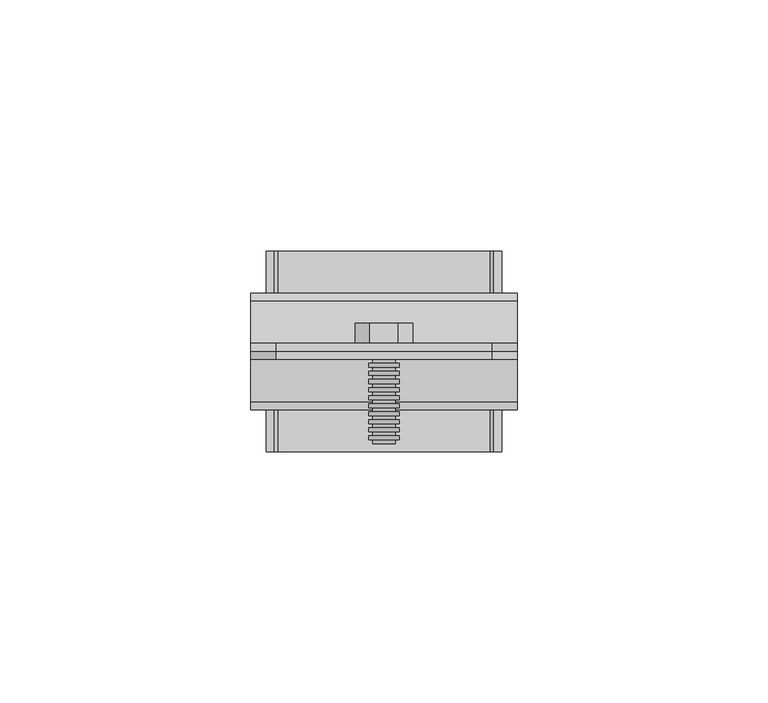
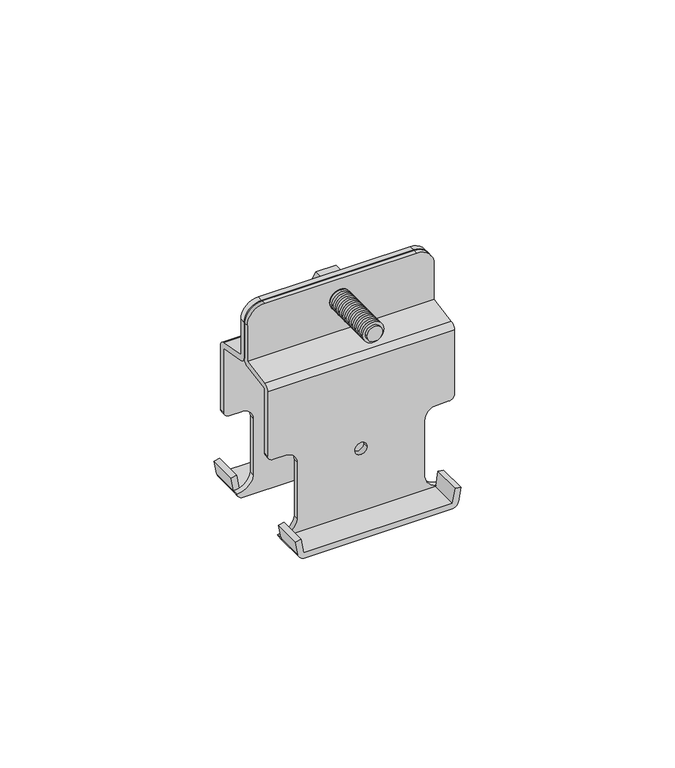
"""IFC4 building model written with IfcOpenShell, lengths in millimetres: proxy geometry."""

from ifc_helpers import new_model, si_unit, point, frame, frame_2d, origin, place, context, project, spatial, polyline, circle_curve, trimmed, segment, composite_curve, outline, extrude, source, transform, mapped, element, save
from ifc_brep_helpers import plane_surface, cylinder_surface, revolved_surface, advanced_brep


def mechanical_equipment_d5be735d(model_context):
    return source(origin(), model_context, "Body", "SolidModel", [
        extrude(outline(composite_curve([segment(trimmed(circle_curve(frame_2d((52.2, 0.0)), 3.0), [point((52.2, -3.0))], [point((52.2, 3.0))], False, "CARTESIAN"), True, "CONTINUOUS"), segment(trimmed(circle_curve(frame_2d((52.2, 0.0)), 3.0), [point((52.2, 3.0))], [point((52.2, -3.0))], False, "CARTESIAN"), True, "CONTINUOUS")], self_intersect=False), holes=[composite_curve([segment(trimmed(circle_curve(frame_2d((52.2, 0.0)), 2.2), [point((52.2, -2.2))], [point((52.2, 2.2))], True, "CARTESIAN"), True, "CONTINUOUS"), segment(trimmed(circle_curve(frame_2d((52.2, 0.0)), 2.2), [point((52.2, 2.2))], [point((52.2, -2.2))], True, "CARTESIAN"), True, "CONTINUOUS")], self_intersect=False)]), frame((0.0, -17.6, 0.0), z_axis=(0.0, 1.0, 0.0), x_axis=(0.0, 0.0, 1.0)), (0.0, 0.0, 1.0), 0.8),
        extrude(outline(composite_curve([segment(trimmed(circle_curve(frame_2d((52.2, 0.0)), 3.0), [point((52.2, -3.0))], [point((52.2, 3.0))], False, "CARTESIAN"), True, "CONTINUOUS"), segment(trimmed(circle_curve(frame_2d((52.2, 0.0)), 3.0), [point((52.2, 3.0))], [point((52.2, -3.0))], False, "CARTESIAN"), True, "CONTINUOUS")], self_intersect=False), holes=[composite_curve([segment(trimmed(circle_curve(frame_2d((52.2, 0.0)), 2.2), [point((52.2, -2.2))], [point((52.2, 2.2))], True, "CARTESIAN"), True, "CONTINUOUS"), segment(trimmed(circle_curve(frame_2d((52.2, 0.0)), 2.2), [point((52.2, 2.2))], [point((52.2, -2.2))], True, "CARTESIAN"), True, "CONTINUOUS")], self_intersect=False)]), frame((0.0, -16.0, 0.0), z_axis=(0.0, 1.0, 0.0), x_axis=(0.0, 0.0, 1.0)), (0.0, 0.0, 1.0), 0.8),
        extrude(outline(composite_curve([segment(trimmed(circle_curve(frame_2d((52.2, 0.0)), 3.0), [point((52.2, -3.0))], [point((52.2, 3.0))], False, "CARTESIAN"), True, "CONTINUOUS"), segment(trimmed(circle_curve(frame_2d((52.2, 0.0)), 3.0), [point((52.2, 3.0))], [point((52.2, -3.0))], False, "CARTESIAN"), True, "CONTINUOUS")], self_intersect=False), holes=[composite_curve([segment(trimmed(circle_curve(frame_2d((52.2, 0.0)), 2.2), [point((52.2, -2.2))], [point((52.2, 2.2))], True, "CARTESIAN"), True, "CONTINUOUS"), segment(trimmed(circle_curve(frame_2d((52.2, 0.0)), 2.2), [point((52.2, 2.2))], [point((52.2, -2.2))], True, "CARTESIAN"), True, "CONTINUOUS")], self_intersect=False)]), frame((0.0, -14.4, 0.0), z_axis=(0.0, 1.0, 0.0), x_axis=(0.0, 0.0, 1.0)), (0.0, 0.0, 1.0), 0.8),
        extrude(outline(composite_curve([segment(trimmed(circle_curve(frame_2d((52.2, 0.0)), 3.0), [point((52.2, -3.0))], [point((52.2, 3.0))], False, "CARTESIAN"), True, "CONTINUOUS"), segment(trimmed(circle_curve(frame_2d((52.2, 0.0)), 3.0), [point((52.2, 3.0))], [point((52.2, -3.0))], False, "CARTESIAN"), True, "CONTINUOUS")], self_intersect=False), holes=[composite_curve([segment(trimmed(circle_curve(frame_2d((52.2, 0.0)), 2.2), [point((52.2, -2.2))], [point((52.2, 2.2))], True, "CARTESIAN"), True, "CONTINUOUS"), segment(trimmed(circle_curve(frame_2d((52.2, 0.0)), 2.2), [point((52.2, 2.2))], [point((52.2, -2.2))], True, "CARTESIAN"), True, "CONTINUOUS")], self_intersect=False)]), frame((0.0, -12.8, 0.0), z_axis=(0.0, 1.0, 0.0), x_axis=(0.0, 0.0, 1.0)), (0.0, 0.0, 1.0), 0.8),
        extrude(outline(composite_curve([segment(trimmed(circle_curve(frame_2d((52.2, 0.0)), 3.0), [point((52.2, -3.0))], [point((52.2, 3.0))], False, "CARTESIAN"), True, "CONTINUOUS"), segment(trimmed(circle_curve(frame_2d((52.2, 0.0)), 3.0), [point((52.2, 3.0))], [point((52.2, -3.0))], False, "CARTESIAN"), True, "CONTINUOUS")], self_intersect=False), holes=[composite_curve([segment(trimmed(circle_curve(frame_2d((52.2, 0.0)), 2.2), [point((52.2, -2.2))], [point((52.2, 2.2))], True, "CARTESIAN"), True, "CONTINUOUS"), segment(trimmed(circle_curve(frame_2d((52.2, 0.0)), 2.2), [point((52.2, 2.2))], [point((52.2, -2.2))], True, "CARTESIAN"), True, "CONTINUOUS")], self_intersect=False)]), frame((0.0, -11.2, 0.0), z_axis=(0.0, 1.0, 0.0), x_axis=(0.0, 0.0, 1.0)), (0.0, 0.0, 1.0), 0.8),
        extrude(outline(composite_curve([segment(trimmed(circle_curve(frame_2d((52.2, 0.0)), 3.0), [point((52.2, -3.0))], [point((52.2, 3.0))], False, "CARTESIAN"), True, "CONTINUOUS"), segment(trimmed(circle_curve(frame_2d((52.2, 0.0)), 3.0), [point((52.2, 3.0))], [point((52.2, -3.0))], False, "CARTESIAN"), True, "CONTINUOUS")], self_intersect=False), holes=[composite_curve([segment(trimmed(circle_curve(frame_2d((52.2, 0.0)), 2.2), [point((52.2, -2.2))], [point((52.2, 2.2))], True, "CARTESIAN"), True, "CONTINUOUS"), segment(trimmed(circle_curve(frame_2d((52.2, 0.0)), 2.2), [point((52.2, 2.2))], [point((52.2, -2.2))], True, "CARTESIAN"), True, "CONTINUOUS")], self_intersect=False)]), frame((0.0, -9.6, 0.0), z_axis=(0.0, 1.0, 0.0), x_axis=(0.0, 0.0, 1.0)), (0.0, 0.0, 1.0), 0.8),
        extrude(outline(composite_curve([segment(trimmed(circle_curve(frame_2d((52.2, 0.0)), 3.0), [point((52.2, -3.0))], [point((52.2, 3.0))], False, "CARTESIAN"), True, "CONTINUOUS"), segment(trimmed(circle_curve(frame_2d((52.2, 0.0)), 3.0), [point((52.2, 3.0))], [point((52.2, -3.0))], False, "CARTESIAN"), True, "CONTINUOUS")], self_intersect=False), holes=[composite_curve([segment(trimmed(circle_curve(frame_2d((52.2, 0.0)), 2.2), [point((52.2, -2.2))], [point((52.2, 2.2))], True, "CARTESIAN"), True, "CONTINUOUS"), segment(trimmed(circle_curve(frame_2d((52.2, 0.0)), 2.2), [point((52.2, 2.2))], [point((52.2, -2.2))], True, "CARTESIAN"), True, "CONTINUOUS")], self_intersect=False)]), frame((0.0, -8.0, 0.0), z_axis=(0.0, 1.0, 0.0), x_axis=(0.0, 0.0, 1.0)), (0.0, 0.0, 1.0), 0.8),
        advanced_brep(
        [(-4.6, 4.6, 52.1997648), (4.6, 4.6, 52.1997648), (-1.5, 4.6, 52.6997648), (-2.4, 4.6, 52.6997648), (-2.4, 4.6, 51.6997648), (-1.5, 4.6, 51.6997648), (-0.5, 4.6, 50.6997648), (-0.5, 4.6, 49.7997648), (0.5, 4.6, 49.7997648), (0.5, 4.6, 50.6997648), (1.5, 4.6, 51.6997648), (2.4, 4.6, 51.6997648), (2.4, 4.6, 52.6997648), (1.5, 4.6, 52.6997648), (0.5, 4.6, 53.6997648), (0.5, 4.6, 54.5997648), (-0.5, 4.6, 54.5997648), (-0.5, 4.6, 53.6997648), (4.6, 5.6, 52.1997648), (-4.6, 5.6, 52.1997648), (-5.7735027, 5.6, 52.2), (-2.8867513, 5.6, 57.2), (2.8867513, 5.6, 57.2), (5.7735027, 5.6, 52.2), (2.8867513, 5.6, 47.2), (-2.8867513, 5.6, 47.2), (-5.7735027, 1.6, 52.2), (-2.8867513, 1.6, 47.2), (2.8867513, 1.6, 47.2), (5.7735027, 1.6, 52.2), (2.8867513, 1.6, 57.2), (-2.8867513, 1.6, 57.2), (-0.5, 3.9, 53.6997648), (-0.5, 3.9, 54.5997648), (0.5, 3.9, 54.5997648), (0.5, 3.9, 53.6997648), (1.5, 3.9, 52.6997648), (2.4, 3.9, 52.6997648), (2.4, 3.9, 51.6997648), (1.5, 3.9, 51.6997648), (0.5, 3.9, 50.6997648), (0.5, 3.9, 49.7997648), (-0.5, 3.9, 49.7997648), (-0.5, 3.9, 50.6997648), (-1.5, 3.9, 51.6997648), (-2.4, 3.9, 51.6997648), (-2.4, 3.9, 52.6997648), (-1.5, 3.9, 52.6997648)],
        [
            (0, 1, circle_curve(frame((0.0, 4.6, 52.1997648), z_axis=(0.0, 1.0, 0.0), x_axis=(1.0, 0.0, 0.0)), 4.6)),
            (1, 0, circle_curve(frame((0.0, 4.6, 52.1997648), z_axis=(0.0, 1.0, 0.0), x_axis=(1.0, 0.0, 0.0)), 4.6)),
            (2, 3),
            (3, 4),
            (4, 5),
            (5, 6, circle_curve(frame((-1.5, 4.6, 50.6997648), z_axis=(0.0, 1.0, 0.0), x_axis=(1.0, 0.0, 0.0)), 1.0)),
            (6, 7),
            (7, 8),
            (8, 9),
            (9, 10, circle_curve(frame((1.5, 4.6, 50.6997648), z_axis=(0.0, 1.0, 0.0), x_axis=(1.0, 0.0, 0.0)), 1.0)),
            (10, 11),
            (11, 12),
            (12, 13),
            (13, 14, circle_curve(frame((1.5, 4.6, 53.6997648), z_axis=(0.0, 1.0, 0.0), x_axis=(1.0, 0.0, 0.0)), 1.0)),
            (14, 15),
            (15, 16),
            (16, 17),
            (17, 2, circle_curve(frame((-1.5, 4.6, 53.6997648), z_axis=(0.0, 1.0, 0.0), x_axis=(1.0, 0.0, 0.0)), 1.0)),
            (1, 18),
            (18, 19, circle_curve(frame((0.0, 5.6, 52.1997648), z_axis=(0.0, 1.0, 0.0), x_axis=(1.0, 0.0, 0.0)), 4.6)),
            (19, 0),
            (19, 18, circle_curve(frame((0.0, 5.6, 52.1997648), z_axis=(0.0, 1.0, 0.0), x_axis=(1.0, 0.0, 0.0)), 4.6)),
            (20, 21),
            (21, 22),
            (22, 23),
            (23, 24),
            (24, 25),
            (25, 20),
            (26, 27),
            (27, 28),
            (28, 29),
            (29, 30),
            (30, 31),
            (31, 26),
            (32, 33),
            (33, 34),
            (34, 35),
            (35, 36, circle_curve(frame((1.5, 3.9, 53.6997648), z_axis=(0.0, -1.0, 0.0), x_axis=(1.0, 0.0, 0.0)), 1.0)),
            (36, 37),
            (37, 38),
            (38, 39),
            (39, 40, circle_curve(frame((1.5, 3.9, 50.6997648), z_axis=(0.0, -1.0, 0.0), x_axis=(1.0, 0.0, 0.0)), 1.0)),
            (40, 41),
            (41, 42),
            (42, 43),
            (43, 44, circle_curve(frame((-1.5, 3.9, 50.6997648), z_axis=(0.0, -1.0, 0.0), x_axis=(1.0, 0.0, 0.0)), 1.0)),
            (44, 45),
            (45, 46),
            (46, 47),
            (47, 32, circle_curve(frame((-1.5, 3.9, 53.6997648), z_axis=(0.0, -1.0, 0.0), x_axis=(1.0, 0.0, 0.0)), 1.0)),
            (47, 2),
            (17, 32),
            (46, 3),
            (45, 4),
            (44, 5),
            (43, 6),
            (42, 7),
            (41, 8),
            (40, 9),
            (39, 10),
            (38, 11),
            (37, 12),
            (36, 13),
            (35, 14),
            (34, 15),
            (33, 16),
            (25, 27),
            (26, 20),
            (24, 28),
            (23, 29),
            (22, 30),
            (21, 31),
        ],
        [
            plane_surface(frame((4.6, 4.6, 52.1997648), z_axis=(0.0, 1.0, 0.0), x_axis=(0.0, 0.0, -1.0))),
            revolved_surface(polyline([(4.6, 5.6, 52.1997648), (4.6, 4.6, 52.1997648)]), (0.0, 4.6, 52.1997648), (0.0, 1.0, 0.0)),
            plane_surface(frame((-5.7735027, 5.6, 52.2), z_axis=(0.0, 1.0, 0.0), x_axis=(0.499999999999998, 0.0, -0.8660254037844398))),
            plane_surface(frame((-5.7735027, 1.6, 52.2), z_axis=(0.0, -1.0, 0.0), x_axis=(-0.499999999999998, 0.0, 0.8660254037844398))),
            plane_surface(frame((-0.5, 3.9, 53.6997648), z_axis=(0.0, 1.0, 0.0), x_axis=(0.0, 0.0, 1.0))),
            cylinder_surface(frame((-1.5, 3.9, 53.6997648), z_axis=(0.0, -1.0, 0.0), x_axis=(1.0, 0.0, 0.0)), 1.0),
            plane_surface(frame((-1.5, 5.6, 52.6997648), z_axis=(0.0, 0.0, -1.0), x_axis=(0.0, -1.0, 0.0))),
            plane_surface(frame((-2.4, 5.6, 52.6997648), z_axis=(1.0, 0.0, 0.0), x_axis=(0.0, -1.0, 0.0))),
            plane_surface(frame((-2.4, 5.6, 51.6997648), z_axis=(0.0, 0.0, 1.0), x_axis=(0.0, -1.0, 0.0))),
            cylinder_surface(frame((-1.5, 3.9, 50.6997648), z_axis=(0.0, -1.0, 0.0), x_axis=(1.0, 0.0, 0.0)), 1.0),
            plane_surface(frame((-0.5, 5.6, 50.6997648), z_axis=(1.0, 0.0, 0.0), x_axis=(0.0, -1.0, 0.0))),
            plane_surface(frame((-0.5, 5.6, 49.7997648), z_axis=(0.0, 0.0, 1.0), x_axis=(0.0, -1.0, 0.0))),
            plane_surface(frame((0.5, 5.6, 49.7997648), z_axis=(-1.0, 0.0, 0.0), x_axis=(0.0, -1.0, 0.0))),
            cylinder_surface(frame((1.5, 3.9, 50.6997648), z_axis=(0.0, -1.0, 0.0), x_axis=(1.0, 0.0, 0.0)), 1.0),
            plane_surface(frame((1.5, 5.6, 51.6997648), z_axis=(0.0, 0.0, 1.0), x_axis=(0.0, -1.0, 0.0))),
            plane_surface(frame((2.4, 5.6, 51.6997648), z_axis=(-1.0, 0.0, 0.0), x_axis=(0.0, -1.0, 0.0))),
            plane_surface(frame((2.4, 5.6, 52.6997648), z_axis=(0.0, 0.0, -1.0), x_axis=(0.0, -1.0, 0.0))),
            cylinder_surface(frame((1.5, 3.9, 53.6997648), z_axis=(0.0, -1.0, 0.0), x_axis=(1.0, 0.0, 0.0)), 1.0),
            plane_surface(frame((0.5, 5.6, 53.6997648), z_axis=(-1.0, 0.0, 0.0), x_axis=(0.0, -1.0, 0.0))),
            plane_surface(frame((0.5, 5.6, 54.5997648), z_axis=(0.0, 0.0, -1.0), x_axis=(0.0, -1.0, 0.0))),
            plane_surface(frame((-0.5, 5.6, 54.5997648), z_axis=(1.0, 0.0, 0.0), x_axis=(0.0, -1.0, 0.0))),
            plane_surface(frame((-5.7735027, 5.6, 52.2), z_axis=(-0.8660254037844398, 0.0, -0.499999999999998), x_axis=(0.0, -1.0, 0.0))),
            plane_surface(frame((-2.8867513, 5.6, 47.2), z_axis=(0.0, 0.0, -1.0), x_axis=(0.0, -1.0, 0.0))),
            plane_surface(frame((2.8867513, 5.6, 47.2), z_axis=(0.8660254037844366, 0.0, -0.5000000000000037), x_axis=(0.0, -1.0, 0.0))),
            plane_surface(frame((5.7735027, 5.6, 52.2), z_axis=(0.8660254037844414, 0.0, 0.4999999999999954), x_axis=(0.0, -1.0, 0.0))),
            plane_surface(frame((2.8867513, 5.6, 57.2), z_axis=(0.0, 0.0, 1.0), x_axis=(0.0, -1.0, 0.0))),
            plane_surface(frame((-2.8867513, 5.6, 57.2), z_axis=(-0.866025403784438, 0.0, 0.500000000000001), x_axis=(0.0, -1.0, 0.0))),
        ],
        [
            (0, [[1, 2], [3, 4, 5, 6, 7, 8, 9, 10, 11, 12, 13, 14, 15, 16, 17, 18]]),
            (1, [[19, 20, 21, -2]]),
            (1, [[-21, 22, -19, -1]]),
            (2, [[23, 24, 25, 26, 27, 28], [-22, -20]]),
            (3, [[29, 30, 31, 32, 33, 34]]),
            (4, [[35, 36, 37, 38, 39, 40, 41, 42, 43, 44, 45, 46, 47, 48, 49, 50]]),
            (5, [[51, -18, 52, -50]]),
            (6, [[53, -3, -51, -49]]),
            (7, [[54, -4, -53, -48]]),
            (8, [[55, -5, -54, -47]]),
            (9, [[56, -6, -55, -46]]),
            (10, [[57, -7, -56, -45]]),
            (11, [[58, -8, -57, -44]]),
            (12, [[59, -9, -58, -43]]),
            (13, [[60, -10, -59, -42]]),
            (14, [[61, -11, -60, -41]]),
            (15, [[62, -12, -61, -40]]),
            (16, [[63, -13, -62, -39]]),
            (17, [[64, -14, -63, -38]]),
            (18, [[65, -15, -64, -37]]),
            (19, [[66, -16, -65, -36]]),
            (20, [[-52, -17, -66, -35]]),
            (21, [[67, -29, 68, -28]]),
            (22, [[69, -30, -67, -27]]),
            (23, [[70, -31, -69, -26]]),
            (24, [[71, -32, -70, -25]]),
            (25, [[72, -33, -71, -24]]),
            (26, [[-68, -34, -72, -23]]),
        ],
    ),
        extrude(outline(composite_curve([segment(trimmed(circle_curve(frame_2d((52.2, 0.0)), 3.0), [point((52.2, -3.0))], [point((52.2, 3.0))], False, "CARTESIAN"), True, "CONTINUOUS"), segment(trimmed(circle_curve(frame_2d((52.2, 0.0)), 3.0), [point((52.2, 3.0))], [point((52.2, -3.0))], False, "CARTESIAN"), True, "CONTINUOUS")], self_intersect=False), holes=[composite_curve([segment(trimmed(circle_curve(frame_2d((52.2, 0.0)), 2.2), [point((52.2, -2.2))], [point((52.2, 2.2))], True, "CARTESIAN"), True, "CONTINUOUS"), segment(trimmed(circle_curve(frame_2d((52.2, 0.0)), 2.2), [point((52.2, 2.2))], [point((52.2, -2.2))], True, "CARTESIAN"), True, "CONTINUOUS")], self_intersect=False)]), frame((0.0, -6.4, 0.0), z_axis=(0.0, 1.0, 0.0), x_axis=(0.0, 0.0, 1.0)), (0.0, 0.0, 1.0), 0.8),
        extrude(outline(composite_curve([segment(trimmed(circle_curve(frame_2d((52.2, 0.0)), 3.0), [point((52.2, -3.0))], [point((52.2, 3.0))], False, "CARTESIAN"), True, "CONTINUOUS"), segment(trimmed(circle_curve(frame_2d((52.2, 0.0)), 3.0), [point((52.2, 3.0))], [point((52.2, -3.0))], False, "CARTESIAN"), True, "CONTINUOUS")], self_intersect=False), holes=[composite_curve([segment(trimmed(circle_curve(frame_2d((52.2, 0.0)), 2.2), [point((52.2, -2.2))], [point((52.2, 2.2))], True, "CARTESIAN"), True, "CONTINUOUS"), segment(trimmed(circle_curve(frame_2d((52.2, 0.0)), 2.2), [point((52.2, 2.2))], [point((52.2, -2.2))], True, "CARTESIAN"), True, "CONTINUOUS")], self_intersect=False)]), frame((0.0, -4.8, 0.0), z_axis=(0.0, 1.0, 0.0), x_axis=(0.0, 0.0, 1.0)), (0.0, 0.0, 1.0), 0.8),
        extrude(outline(composite_curve([segment(trimmed(circle_curve(frame_2d((52.2, 0.0)), 3.0), [point((52.2, -3.0))], [point((52.2, 3.0))], False, "CARTESIAN"), True, "CONTINUOUS"), segment(trimmed(circle_curve(frame_2d((52.2, 0.0)), 3.0), [point((52.2, 3.0))], [point((52.2, -3.0))], False, "CARTESIAN"), True, "CONTINUOUS")], self_intersect=False), holes=[composite_curve([segment(trimmed(circle_curve(frame_2d((52.2, 0.0)), 2.2), [point((52.2, -2.2))], [point((52.2, 2.2))], True, "CARTESIAN"), True, "CONTINUOUS"), segment(trimmed(circle_curve(frame_2d((52.2, 0.0)), 2.2), [point((52.2, 2.2))], [point((52.2, -2.2))], True, "CARTESIAN"), True, "CONTINUOUS")], self_intersect=False)]), frame((0.0, -3.2, 0.0), z_axis=(0.0, 1.0, 0.0), x_axis=(0.0, 0.0, 1.0)), (0.0, 0.0, 1.0), 0.8),
        extrude(outline(composite_curve([segment(trimmed(circle_curve(frame_2d((52.2, 0.0)), 3.0), [point((52.2, -3.0))], [point((52.2, 3.0))], False, "CARTESIAN"), True, "CONTINUOUS"), segment(trimmed(circle_curve(frame_2d((52.2, 0.0)), 3.0), [point((52.2, 3.0))], [point((52.2, -3.0))], False, "CARTESIAN"), True, "CONTINUOUS")], self_intersect=False), holes=[composite_curve([segment(trimmed(circle_curve(frame_2d((52.2, 0.0)), 2.2), [point((52.2, -2.2))], [point((52.2, 2.2))], True, "CARTESIAN"), True, "CONTINUOUS"), segment(trimmed(circle_curve(frame_2d((52.2, 0.0)), 2.2), [point((52.2, 2.2))], [point((52.2, -2.2))], True, "CARTESIAN"), True, "CONTINUOUS")], self_intersect=False)]), frame((0.0, -1.6, 0.0), z_axis=(0.0, 1.0, 0.0), x_axis=(0.0, 0.0, 1.0)), (0.0, 0.0, 1.0), 0.8),
        extrude(outline(composite_curve([segment(trimmed(circle_curve(frame_2d((52.2, 0.0)), 3.0), [point((52.2, -3.0))], [point((52.2, 3.0))], False, "CARTESIAN"), True, "CONTINUOUS"), segment(trimmed(circle_curve(frame_2d((52.2, 0.0)), 3.0), [point((52.2, 3.0))], [point((52.2, -3.0))], False, "CARTESIAN"), True, "CONTINUOUS")], self_intersect=False), holes=[composite_curve([segment(trimmed(circle_curve(frame_2d((52.2, 0.0)), 2.2), [point((52.2, -2.2))], [point((52.2, 2.2))], True, "CARTESIAN"), True, "CONTINUOUS"), segment(trimmed(circle_curve(frame_2d((52.2, 0.0)), 2.2), [point((52.2, 2.2))], [point((52.2, -2.2))], True, "CARTESIAN"), True, "CONTINUOUS")], self_intersect=False)]), frame((0.0, 0.0, 0.0), z_axis=(0.0, 1.0, 0.0), x_axis=(0.0, 0.0, 1.0)), (0.0, 0.0, 1.0), 0.8),
        extrude(outline(composite_curve([segment(trimmed(circle_curve(frame_2d((52.2, 0.0)), 2.2), [point((52.2, -2.2))], [point((52.2, 2.2))], False, "CARTESIAN"), True, "CONTINUOUS"), segment(trimmed(circle_curve(frame_2d((52.2, 0.0)), 2.2), [point((52.2, 2.2))], [point((52.2, -2.2))], False, "CARTESIAN"), True, "CONTINUOUS")], self_intersect=False)), frame((0.0, -18.4, 0.0), z_axis=(0.0, 1.0, 0.0), x_axis=(0.0, 0.0, 1.0)), (0.0, 0.0, 1.0), 20.0),
        advanced_brep(
        [(26.5, 0.0, 43.3709383), (26.5, 1.6527036, 41.4013228), (26.5, 10.0, 40.0), (26.5, 10.0, 20.7), (26.5, 11.6, 20.7), (26.5, 11.6, 40.0), (26.5, 10.0, 41.6251279), (26.5, 1.6, 43.0352984), (26.5, 1.6, 53.7), (26.5, 0.0, 53.7), (-26.5, 1.6, 43.0352984), (-26.5, 10.0, 41.6251279), (-26.5, 11.6, 40.0), (-26.5, 11.6, 20.7), (-26.5, 10.0, 20.7), (-26.5, 10.0, 40.0), (-26.5, 1.6527036, 41.4013228), (-26.5, 0.0, 43.3709383), (-26.5, 0.0, 53.7), (-26.5, 1.6, 53.7), (21.5, 1.6, 58.7), (-21.5, 1.6, 58.7), (-21.5, 0.0, 58.7), (21.5, 0.0, 58.7), (25.0, 11.6, 19.2), (21.5, 11.6, 19.2), (18.0, 11.6, 15.7), (18.0, 11.6, -1.095993), (21.1884537, 11.6, -4.8705945), (21.15, 11.6, -5.1003847), (-21.15, 11.6, -5.1003847), (-21.1884537, 11.6, -4.8705945), (-18.0, 11.6, -1.095993), (-18.0, 11.6, 15.7), (-21.5, 11.6, 19.2), (-25.0, 11.6, 19.2), (-1.75, 11.6, 13.7), (1.75, 11.6, 13.7), (25.0, 10.0, 19.2), (21.5, 10.0, 19.2), (-25.0, 10.0, 19.2), (-21.5, 10.0, 19.2), (-18.0, 10.0, 15.7), (-18.0, 10.0, -1.095993), (-22.7722482, 10.0, -5.1003847), (-21.056, 10.0, -6.7003847), (21.0564582, 10.0, -6.7003847), (22.7722482, 10.0, -5.1003847), (18.0, 10.0, -1.095993), (18.0, 10.0, 15.7), (-1.75, 10.0, 13.7), (1.75, 10.0, 13.7), (-21.056, 11.6, -6.7003847), (-21.0564582, 20.0, -6.7003847), (21.0564582, 20.0, -6.7003847), (21.0564582, 11.6, -6.7003847), (22.7722482, 11.6, -5.1003847), (-22.7722482, 11.6, -5.1003847), (-21.8696376, 11.6, -0.8), (-23.4476946, 11.6, -1.0640762), (23.4476946, 11.6, -1.0640762), (21.8696376, 11.6, -0.8), (-21.15, 20.0, -5.1003847), (21.15, 20.0, -5.1003847), (21.8696376, 20.0, -0.8), (23.4476946, 20.0, -1.0640762), (22.7722482, 20.0, -5.1003847), (-22.7722482, 20.0, -5.1003847), (-23.4476946, 20.0, -1.0640762), (-21.8696376, 20.0, -0.8)],
        [
            (0, 1, circle_curve(frame((26.5, 2.0, 43.3709383), z_axis=(1.0, 0.0, 0.0), x_axis=(0.0, -1.0, 0.0)), 2.0)),
            (1, 2),
            (2, 3),
            (3, 4),
            (4, 5),
            (5, 6, circle_curve(frame((26.5, 9.678171, 39.7080808), z_axis=(1.0, 0.0, 0.0), x_axis=(0.0, -1.0, 0.0)), 1.9438733)),
            (6, 7),
            (7, 8),
            (8, 9),
            (9, 0),
            (10, 11),
            (11, 12, circle_curve(frame((-26.5, 9.678171, 39.7080808), z_axis=(-1.0, 0.0, 0.0), x_axis=(0.0, -1.0, 0.0)), 1.9438733)),
            (12, 13),
            (13, 14),
            (14, 15),
            (15, 16),
            (16, 17, circle_curve(frame((-26.5, 2.0, 43.3709383), z_axis=(-1.0, 0.0, 0.0), x_axis=(0.0, -1.0, 0.0)), 2.0)),
            (17, 18),
            (18, 19),
            (19, 10),
            (20, 21),
            (21, 22),
            (22, 23),
            (23, 20),
            (7, 10),
            (19, 21, circle_curve(frame((-21.5, 1.6, 53.7), z_axis=(0.0, 1.0, 0.0), x_axis=(-1.0, 0.0, 0.0)), 5.0)),
            (20, 8, circle_curve(frame((21.5, 1.6, 53.7), z_axis=(0.0, 1.0, 0.0), x_axis=(-1.0, 0.0, 0.0)), 5.0)),
            (6, 11),
            (5, 12),
            (4, 24, circle_curve(frame((25.0, 11.6, 20.7), z_axis=(0.0, 1.0, 0.0), x_axis=(-1.0, 0.0, 0.0)), 1.5)),
            (24, 25),
            (25, 26, circle_curve(frame((21.5, 11.6, 15.7), z_axis=(0.0, -1.0, 0.0), x_axis=(1.0, 0.0, 0.0)), 3.5)),
            (26, 27),
            (27, 28, circle_curve(frame((22.644707, 11.6, -0.4065146), z_axis=(0.0, -1.0, 0.0), x_axis=(1.0, 0.0, 0.0)), 4.6956025)),
            (28, 29),
            (29, 30),
            (30, 31),
            (31, 32, circle_curve(frame((-22.644707, 11.6, -0.4065146), z_axis=(0.0, -1.0, 0.0), x_axis=(1.0, 0.0, 0.0)), 4.6956025)),
            (32, 33),
            (33, 34, circle_curve(frame((-21.5, 11.6, 15.7), z_axis=(0.0, -1.0, 0.0), x_axis=(1.0, 0.0, 0.0)), 3.5)),
            (34, 35),
            (35, 13, circle_curve(frame((-25.0, 11.6, 20.7), z_axis=(0.0, 1.0, 0.0), x_axis=(-1.0, 0.0, 0.0)), 1.5)),
            (36, 37, circle_curve(frame((0.0, 11.6, 13.7), z_axis=(0.0, -1.0, 0.0), x_axis=(1.0, 0.0, 0.0)), 1.75)),
            (37, 36, circle_curve(frame((0.0, 11.6, 13.7), z_axis=(0.0, -1.0, 0.0), x_axis=(1.0, 0.0, 0.0)), 1.75)),
            (24, 38),
            (38, 39),
            (39, 25),
            (40, 35),
            (34, 41),
            (41, 40),
            (2, 15),
            (14, 40, circle_curve(frame((-25.0, 10.0, 20.7), z_axis=(0.0, -1.0, 0.0), x_axis=(-1.0, 0.0, 0.0)), 1.5)),
            (41, 42, circle_curve(frame((-21.5, 10.0, 15.7), z_axis=(0.0, 1.0, 0.0), x_axis=(1.0, 0.0, 0.0)), 3.5)),
            (42, 43),
            (43, 44, circle_curve(frame((-22.644707, 10.0, -0.4065146), z_axis=(0.0, 1.0, 0.0), x_axis=(1.0, 0.0, 0.0)), 4.6956025)),
            (44, 45, circle_curve(frame((-20.8828925, 10.0, -4.7942289), z_axis=(0.0, -1.0, 0.0), x_axis=(1.0, 0.0, 0.0)), 1.914)),
            (45, 46),
            (46, 47, circle_curve(frame((20.8828857, 10.0, -4.7942712), z_axis=(0.0, -1.0, 0.0), x_axis=(1.0, 0.0, 0.0)), 1.914)),
            (47, 48, circle_curve(frame((22.644707, 10.0, -0.4065146), z_axis=(0.0, 1.0, 0.0), x_axis=(1.0, 0.0, 0.0)), 4.6956025)),
            (48, 49),
            (49, 39, circle_curve(frame((21.5, 10.0, 15.7), z_axis=(0.0, 1.0, 0.0), x_axis=(1.0, 0.0, 0.0)), 3.5)),
            (38, 3, circle_curve(frame((25.0, 10.0, 20.7), z_axis=(0.0, -1.0, 0.0), x_axis=(-1.0, 0.0, 0.0)), 1.5)),
            (50, 51, circle_curve(frame((0.0, 10.0, 13.7), z_axis=(0.0, 1.0, 0.0), x_axis=(1.0, 0.0, 0.0)), 1.75)),
            (51, 50, circle_curve(frame((0.0, 10.0, 13.7), z_axis=(0.0, 1.0, 0.0), x_axis=(1.0, 0.0, 0.0)), 1.75)),
            (1, 16),
            (0, 17),
            (9, 23, circle_curve(frame((21.5, 0.0, 53.7), z_axis=(0.0, -1.0, 0.0), x_axis=(-1.0, 0.0, 0.0)), 5.0)),
            (22, 18, circle_curve(frame((-21.5, 0.0, 53.7), z_axis=(0.0, -1.0, 0.0), x_axis=(-1.0, 0.0, 0.0)), 5.0)),
            (45, 52),
            (52, 53),
            (53, 54),
            (54, 55),
            (55, 46),
            (55, 56, circle_curve(frame((20.8828857, 11.6, -4.7942712), z_axis=(0.0, -1.0, 0.0), x_axis=(1.0, 0.0, 0.0)), 1.914)),
            (56, 47),
            (26, 49),
            (48, 27),
            (32, 43),
            (42, 33),
            (37, 51),
            (50, 36),
            (44, 57),
            (57, 52, circle_curve(frame((-20.8828925, 11.6, -4.7942289), z_axis=(0.0, -1.0, 0.0), x_axis=(1.0, 0.0, 0.0)), 1.914)),
            (31, 57, circle_curve(frame((-22.644707, 11.6, -0.4065146), z_axis=(0.0, 1.0, 0.0), x_axis=(1.0, 0.0, 0.0)), 4.6956025)),
            (56, 28, circle_curve(frame((22.644707, 11.6, -0.4065146), z_axis=(0.0, 1.0, 0.0), x_axis=(1.0, 0.0, 0.0)), 4.6956025)),
            (58, 59),
            (59, 57),
            (31, 58),
            (56, 60),
            (60, 61),
            (61, 28),
            (62, 63),
            (63, 64),
            (64, 65),
            (65, 66),
            (66, 54, circle_curve(frame((20.8717729, 20.0, -4.7823542), z_axis=(0.0, 1.0, 0.0), x_axis=(1.0, 0.0, 0.0)), 1.9269016)),
            (53, 67, circle_curve(frame((-20.8717729, 20.0, -4.7823542), z_axis=(0.0, 1.0, 0.0), x_axis=(1.0, 0.0, 0.0)), 1.9269016)),
            (67, 68),
            (68, 69),
            (69, 62),
            (69, 58),
            (30, 62),
            (68, 59),
            (67, 57),
            (56, 66),
            (65, 60),
            (64, 61),
            (63, 29),
        ],
        [
            plane_surface(frame((26.5, 0.0, 58.7), z_axis=(1.0, 0.0, 0.0), x_axis=(0.0, 0.0, -1.0))),
            plane_surface(frame((-26.5, 0.0, 58.7), z_axis=(-1.0, 0.0, 0.0), x_axis=(0.0, 0.0, 1.0))),
            plane_surface(frame((26.5, 1.6, 58.7), z_axis=(0.0, 0.0, 1.0), x_axis=(-1.0, 0.0, 0.0))),
            plane_surface(frame((26.5, 1.6, 43.0352984), z_axis=(0.0, 1.0, 0.0), x_axis=(-1.0, 0.0, 0.0))),
            plane_surface(frame((26.5, 10.0, 41.6251279), z_axis=(0.0, 0.16556066868113012, 0.9861996070704233), x_axis=(-1.0, 0.0, 0.0))),
            cylinder_surface(frame((-26.5, 9.678171, 39.7080808), z_axis=(1.0, 0.0, 0.0), x_axis=(0.0, -1.0, 0.0)), 1.9438733),
            plane_surface(frame((26.5, 11.6, 19.2), z_axis=(0.0, 1.0, 0.0), x_axis=(-1.0, 0.0, 0.0))),
            plane_surface(frame((26.5, 10.0, 19.2), z_axis=(0.0, 0.0, -1.0), x_axis=(-1.0, 0.0, 0.0))),
            plane_surface(frame((26.5, 10.0, 40.0), z_axis=(0.0, -1.0, 0.0), x_axis=(-1.0, 0.0, 0.0))),
            plane_surface(frame((26.5, 1.6527036, 41.4013228), z_axis=(0.0, -0.16556066868114405, -0.9861996070704209), x_axis=(-1.0, 0.0, 0.0))),
            cylinder_surface(frame((-26.5, 2.0, 43.3709383), z_axis=(1.0, 0.0, 0.0), x_axis=(0.0, -1.0, 0.0)), 2.0),
            plane_surface(frame((26.5, 0.0, 58.7), z_axis=(0.0, -1.0, 0.0), x_axis=(-1.0, 0.0, 0.0))),
            cylinder_surface(frame((21.5, 0.0, 53.7), z_axis=(0.0, -1.0, 0.0), x_axis=(-1.0, 0.0, 0.0)), 5.0),
            cylinder_surface(frame((-21.5, 0.0, 53.7), z_axis=(0.0, -1.0, 0.0), x_axis=(-1.0, 0.0, 0.0)), 5.0),
            cylinder_surface(frame((25.0, 10.0, 20.7), z_axis=(0.0, -1.0, 0.0), x_axis=(-1.0, 0.0, 0.0)), 1.5),
            cylinder_surface(frame((-25.0, 0.0, 20.7), z_axis=(0.0, -1.0, 0.0), x_axis=(-1.0, 0.0, 0.0)), 1.5),
            plane_surface(frame((21.0564582, 11.6, -6.7003847), z_axis=(0.0, 0.0, -1.0), x_axis=(0.0, -1.0, 0.0))),
            cylinder_surface(frame((20.8828857, 10.0, -4.7942712), z_axis=(0.0, 1.0, 0.0), x_axis=(1.0, 0.0, 0.0)), 1.914),
            plane_surface(frame((18.0, 11.6, 15.7), z_axis=(1.0, 0.0, 0.0), x_axis=(0.0, -1.0, 0.0))),
            plane_surface(frame((-18.0, 11.6, -1.095993), z_axis=(-1.0, 0.0, 0.0), x_axis=(0.0, -1.0, 0.0))),
            revolved_surface(polyline([(25.0, 10.0, 15.7), (25.0, 11.6, 15.7)]), (21.5, 10.0, 15.7), (0.0, -1.0, 0.0)),
            revolved_surface(polyline([(-18.0, 10.0, 15.7), (-18.0, 11.6, 15.7)]), (-21.5, 10.0, 15.7), (0.0, -1.0, 0.0)),
            revolved_surface(polyline([(1.75, 10.0, 13.7), (1.75, 11.6, 13.7)]), (0.0, 0.0, 13.7), (0.0, -1.0, 0.0)),
            cylinder_surface(frame((-20.8828925, 10.0, -4.7942289), z_axis=(0.0, 1.0, 0.0), x_axis=(1.0, 0.0, 0.0)), 1.914),
            revolved_surface(polyline([(-17.9491045, 10.0, -0.4065146), (-17.9491045, 11.6, -0.4065146)]), (-22.644707, 10.0, -0.4065146), (0.0, -1.0, 0.0)),
            revolved_surface(polyline([(27.3403095, 10.0, -0.4065146), (27.3403095, 11.6, -0.4065146)]), (22.644707, 10.0, -0.4065146), (0.0, -1.0, 0.0)),
            plane_surface(frame((-21.15, 11.6, -5.1003847), z_axis=(0.0, -1.0, 0.0), x_axis=(-1.0, 0.0, 0.0))),
            plane_surface(frame((-21.15, 20.0, -5.1003847), z_axis=(0.0, 1.0, 0.0), x_axis=(1.0, 0.0, 0.0))),
            plane_surface(frame((-21.8696376, 20.0, -0.8), z_axis=(0.9862856015372304, 0.0, 0.16504760586068348), x_axis=(0.0, -1.0, 0.0))),
            plane_surface(frame((-23.4476946, 20.0, -1.0640762), z_axis=(-0.1650476058606784, 0.0, 0.9862856015372313), x_axis=(0.0, -1.0, 0.0))),
            plane_surface(frame((-22.7722482, 20.0, -5.1003847), z_axis=(-0.9862856015372315, 0.0, -0.1650476058606769), x_axis=(0.0, -1.0, 0.0))),
            plane_surface(frame((23.4476946, 20.0, -1.0640762), z_axis=(0.9862856015372569, 0.0, -0.16504760586052597), x_axis=(0.0, -1.0, 0.0))),
            plane_surface(frame((21.8696376, 20.0, -0.8), z_axis=(0.16504760586066894, 0.0, 0.9862856015372329), x_axis=(0.0, -1.0, 0.0))),
            plane_surface(frame((21.15, 20.0, -5.1003847), z_axis=(-0.9862856015372334, 0.0, 0.1650476058606659), x_axis=(0.0, -1.0, 0.0))),
            plane_surface(frame((-21.15, 20.0, -5.1003847), z_axis=(0.0, 0.0, 1.0), x_axis=(0.0, -1.0, 0.0))),
            cylinder_surface(frame((-20.8717729, 11.6, -4.7823542), z_axis=(0.0, 1.0, 0.0), x_axis=(1.0, 0.0, 0.0)), 1.9269016),
            cylinder_surface(frame((20.8717729, 11.6, -4.7823542), z_axis=(0.0, 1.0, 0.0), x_axis=(1.0, 0.0, 0.0)), 1.9269016),
        ],
        [
            (0, [[1, 2, 3, 4, 5, 6, 7, 8, 9, 10]]),
            (1, [[11, 12, 13, 14, 15, 16, 17, 18, 19, 20]]),
            (2, [[21, 22, 23, 24]]),
            (3, [[25, -20, 26, -21, 27, -8]]),
            (4, [[-7, 28, -11, -25]]),
            (5, [[-6, 29, -12, -28]]),
            (6, [[-29, -5, 30, 31, 32, 33, 34, 35, 36, 37, 38, 39, 40, 41, 42, -13], [43, 44]]),
            (7, [[45, 46, 47, -31]]),
            (7, [[48, -41, 49, 50]]),
            (8, [[51, -15, 52, -50, 53, 54, 55, 56, 57, 58, 59, 60, 61, -46, 62, -3], [63, 64]]),
            (9, [[-2, 65, -16, -51]]),
            (10, [[-1, 66, -17, -65]]),
            (11, [[-66, -10, 67, -23, 68, -18]]),
            (12, [[-9, -27, -24, -67]]),
            (13, [[-19, -68, -22, -26]]),
            (14, [[-4, -62, -45, -30]]),
            (15, [[-14, -42, -48, -52]]),
            (16, [[-57, 69, 70, 71, 72, 73]]),
            (17, [[-58, -73, 74, 75]]),
            (18, [[-33, 76, -60, 77]]),
            (19, [[-39, 78, -54, 79]]),
            (20, [[-32, -47, -61, -76]]),
            (21, [[-40, -79, -53, -49]]),
            (22, [[-44, 80, -63, 81]]),
            (22, [[-43, -81, -64, -80]]),
            (23, [[-56, 82, 83, -69]]),
            (24, [[-55, -78, -38, 84, -82]]),
            (25, [[-59, -75, 85, -34, -77]]),
            (26, [[86, 87, -84, 88]]),
            (26, [[89, 90, 91, -85]]),
            (27, [[92, 93, 94, 95, 96, -71, 97, 98, 99, 100]]),
            (28, [[-100, 101, -88, -37, 102]]),
            (29, [[-86, -101, -99, 103]]),
            (30, [[-87, -103, -98, 104]]),
            (31, [[-89, 105, -95, 106]]),
            (32, [[-90, -106, -94, 107]]),
            (33, [[-93, 108, -35, -91, -107]]),
            (34, [[-92, -102, -36, -108]]),
            (35, [[-97, -70, -83, -104]]),
            (36, [[-96, -105, -74, -72]]),
        ],
    ),
        advanced_brep(
        [(26.5, -1.6, 43.0352984), (26.5, -10.0, 41.6251279), (26.5, -11.6, 40.0), (26.5, -11.6, 20.7), (26.5, -10.0, 20.7), (26.5, -10.0, 40.0), (26.5, -1.6527036, 41.4013228), (26.5, 0.0, 43.3709383), (26.5, 0.0, 53.7), (26.5, -1.6, 53.7), (-26.5, 0.0, 43.3709383), (-26.5, -1.6527036, 41.4013228), (-26.5, -10.0, 40.0), (-26.5, -10.0, 20.7), (-26.5, -11.6, 20.7), (-26.5, -11.6, 40.0), (-26.5, -10.0, 41.6251279), (-26.5, -1.6, 43.0352984), (-26.5, -1.6, 53.7), (-26.5, 0.0, 53.7), (21.5, 0.0, 58.7), (-21.5, 0.0, 58.7), (-21.5, -1.6, 58.7), (21.5, -1.6, 58.7), (-25.0, -11.6, 19.2), (-21.5, -11.6, 19.2), (-18.0, -11.6, 15.7), (-18.0, -11.6, -1.095993), (-21.1884537, -11.6, -4.8705945), (-21.15, -11.6, -5.1003847), (21.15, -11.6, -5.1003847), (21.1884537, -11.6, -4.8705945), (18.0, -11.6, -1.095993), (18.0, -11.6, 15.7), (21.5, -11.6, 19.2), (25.0, -11.6, 19.2), (-1.75, -11.6, 13.7), (1.75, -11.6, 13.7), (25.0, -10.0, 19.2), (21.5, -10.0, 19.2), (-25.0, -10.0, 19.2), (-21.5, -10.0, 19.2), (18.0, -10.0, 15.7), (18.0, -10.0, -1.095993), (22.7722482, -10.0, -5.1003847), (21.0564582, -10.0, -6.7003847), (-21.056, -10.0, -6.7003847), (-22.7722482, -10.0, -5.1003847), (-18.0, -10.0, -1.095993), (-18.0, -10.0, 15.7), (-1.75, -10.0, 13.7), (1.75, -10.0, 13.7), (21.0564582, -11.6, -6.7003847), (21.0564582, -20.0, -6.7003847), (-21.0564582, -20.0, -6.7003847), (-21.0564582, -11.6, -6.7003847), (22.7722482, -11.6, -5.1003847), (-22.7722482, -11.6, -5.1003847), (21.8696376, -11.6, -0.8), (23.4476946, -11.6, -1.0640762), (-23.4476946, -11.6, -1.0640762), (-21.8696376, -11.6, -0.8), (-21.15, -20.0, -5.1003847), (-21.8696376, -20.0, -0.8), (-23.4476946, -20.0, -1.0640762), (-22.7722482, -20.0, -5.1003847), (22.7722482, -20.0, -5.1003847), (23.4476946, -20.0, -1.0640762), (21.8696376, -20.0, -0.8), (21.15, -20.0, -5.1003847)],
        [
            (0, 1),
            (1, 2, circle_curve(frame((26.5, -9.678171, 39.7080808), z_axis=(1.0, 0.0, 0.0), x_axis=(0.0, 1.0, 0.0)), 1.9438733)),
            (2, 3),
            (3, 4),
            (4, 5),
            (5, 6),
            (6, 7, circle_curve(frame((26.5, -2.0, 43.3709383), z_axis=(1.0, 0.0, 0.0), x_axis=(0.0, 1.0, 0.0)), 2.0)),
            (7, 8),
            (8, 9),
            (9, 0),
            (10, 11, circle_curve(frame((-26.5, -2.0, 43.3709383), z_axis=(-1.0, 0.0, 0.0), x_axis=(0.0, 1.0, 0.0)), 2.0)),
            (11, 12),
            (12, 13),
            (13, 14),
            (14, 15),
            (15, 16, circle_curve(frame((-26.5, -9.678171, 39.7080808), z_axis=(-1.0, 0.0, 0.0), x_axis=(0.0, 1.0, 0.0)), 1.9438733)),
            (16, 17),
            (17, 18),
            (18, 19),
            (19, 10),
            (20, 21),
            (21, 22),
            (22, 23),
            (23, 20),
            (17, 0),
            (9, 23, circle_curve(frame((21.5, -1.6, 53.7), z_axis=(0.0, -1.0, 0.0), x_axis=(-1.0, 0.0, 0.0)), 5.0)),
            (22, 18, circle_curve(frame((-21.5, -1.6, 53.7), z_axis=(0.0, -1.0, 0.0), x_axis=(-1.0, 0.0, 0.0)), 5.0)),
            (16, 1),
            (15, 2),
            (14, 24, circle_curve(frame((-25.0, -11.6, 20.7), z_axis=(0.0, -1.0, 0.0), x_axis=(-1.0, 0.0, 0.0)), 1.5)),
            (24, 25),
            (25, 26, circle_curve(frame((-21.5, -11.6, 15.7), z_axis=(0.0, 1.0, 0.0), x_axis=(1.0, 0.0, 0.0)), 3.5)),
            (26, 27),
            (27, 28, circle_curve(frame((-22.644707, -11.6, -0.4065146), z_axis=(0.0, 1.0, 0.0), x_axis=(1.0, 0.0, 0.0)), 4.6956025)),
            (28, 29),
            (29, 30),
            (30, 31),
            (31, 32, circle_curve(frame((22.644707, -11.6, -0.4065146), z_axis=(0.0, 1.0, 0.0), x_axis=(1.0, 0.0, 0.0)), 4.6956025)),
            (32, 33),
            (33, 34, circle_curve(frame((21.5, -11.6, 15.7), z_axis=(0.0, 1.0, 0.0), x_axis=(1.0, 0.0, 0.0)), 3.5)),
            (34, 35),
            (35, 3, circle_curve(frame((25.0, -11.6, 20.7), z_axis=(0.0, -1.0, 0.0), x_axis=(-1.0, 0.0, 0.0)), 1.5)),
            (36, 37, circle_curve(frame((0.0, -11.6, 13.7), z_axis=(0.0, 1.0, 0.0), x_axis=(1.0, 0.0, 0.0)), 1.75)),
            (37, 36, circle_curve(frame((0.0, -11.6, 13.7), z_axis=(0.0, 1.0, 0.0), x_axis=(1.0, 0.0, 0.0)), 1.75)),
            (38, 35),
            (34, 39),
            (39, 38),
            (24, 40),
            (40, 41),
            (41, 25),
            (12, 5),
            (4, 38, circle_curve(frame((25.0, -10.0, 20.7), z_axis=(0.0, 1.0, 0.0), x_axis=(-1.0, 0.0, 0.0)), 1.5)),
            (39, 42, circle_curve(frame((21.5, -10.0, 15.7), z_axis=(0.0, -1.0, 0.0), x_axis=(1.0, 0.0, 0.0)), 3.5)),
            (42, 43),
            (43, 44, circle_curve(frame((22.644707, -10.0, -0.4065146), z_axis=(0.0, -1.0, 0.0), x_axis=(1.0, 0.0, 0.0)), 4.6956025)),
            (44, 45, circle_curve(frame((20.8828857, -10.0, -4.7942712), z_axis=(0.0, 1.0, 0.0), x_axis=(1.0, 0.0, 0.0)), 1.914)),
            (45, 46),
            (46, 47, circle_curve(frame((-20.8828925, -10.0, -4.7942289), z_axis=(0.0, 1.0, 0.0), x_axis=(1.0, 0.0, 0.0)), 1.914)),
            (47, 48, circle_curve(frame((-22.644707, -10.0, -0.4065146), z_axis=(0.0, -1.0, 0.0), x_axis=(1.0, 0.0, 0.0)), 4.6956025)),
            (48, 49),
            (49, 41, circle_curve(frame((-21.5, -10.0, 15.7), z_axis=(0.0, -1.0, 0.0), x_axis=(1.0, 0.0, 0.0)), 3.5)),
            (40, 13, circle_curve(frame((-25.0, -10.0, 20.7), z_axis=(0.0, 1.0, 0.0), x_axis=(-1.0, 0.0, 0.0)), 1.5)),
            (50, 51, circle_curve(frame((0.0, -10.0, 13.7), z_axis=(0.0, -1.0, 0.0), x_axis=(1.0, 0.0, 0.0)), 1.75)),
            (51, 50, circle_curve(frame((0.0, -10.0, 13.7), z_axis=(0.0, -1.0, 0.0), x_axis=(1.0, 0.0, 0.0)), 1.75)),
            (11, 6),
            (10, 7),
            (19, 21, circle_curve(frame((-21.5, 0.0, 53.7), z_axis=(0.0, 1.0, 0.0), x_axis=(-1.0, 0.0, 0.0)), 5.0)),
            (20, 8, circle_curve(frame((21.5, 0.0, 53.7), z_axis=(0.0, 1.0, 0.0), x_axis=(-1.0, 0.0, 0.0)), 5.0)),
            (45, 52),
            (52, 53),
            (53, 54),
            (54, 55),
            (55, 46),
            (44, 56),
            (56, 52, circle_curve(frame((20.8828857, -11.6, -4.7942712), z_axis=(0.0, 1.0, 0.0), x_axis=(1.0, 0.0, 0.0)), 1.914)),
            (32, 43),
            (42, 33),
            (26, 49),
            (48, 27),
            (36, 50),
            (51, 37),
            (55, 57, circle_curve(frame((-20.8828925, -11.6, -4.7942289), z_axis=(0.0, 1.0, 0.0), x_axis=(1.0, 0.0, 0.0)), 1.914)),
            (57, 47),
            (57, 28, circle_curve(frame((-22.644707, -11.6, -0.4065146), z_axis=(0.0, -1.0, 0.0), x_axis=(1.0, 0.0, 0.0)), 4.6956025)),
            (31, 56, circle_curve(frame((22.644707, -11.6, -0.4065146), z_axis=(0.0, -1.0, 0.0), x_axis=(1.0, 0.0, 0.0)), 4.6956025)),
            (58, 59),
            (59, 56),
            (31, 58),
            (57, 60),
            (60, 61),
            (61, 28),
            (62, 63),
            (63, 64),
            (64, 65),
            (65, 54, circle_curve(frame((-20.8717729, -20.0, -4.7823542), z_axis=(0.0, -1.0, 0.0), x_axis=(1.0, 0.0, 0.0)), 1.9269016)),
            (53, 66, circle_curve(frame((20.8717729, -20.0, -4.7823542), z_axis=(0.0, -1.0, 0.0), x_axis=(1.0, 0.0, 0.0)), 1.9269016)),
            (66, 67),
            (67, 68),
            (68, 69),
            (69, 62),
            (62, 29),
            (61, 63),
            (60, 64),
            (57, 65),
            (59, 67),
            (66, 56),
            (58, 68),
            (30, 69),
        ],
        [
            plane_surface(frame((26.5, -1.6, 58.7), z_axis=(1.0, 0.0, 0.0), x_axis=(0.0, -1.0, 0.0))),
            plane_surface(frame((-26.5, -1.6, 58.7), z_axis=(-1.0, 0.0, 0.0), x_axis=(0.0, 1.0, 0.0))),
            plane_surface(frame((26.5, 0.0, 58.7), z_axis=(0.0, 0.0, 1.0), x_axis=(-1.0, 0.0, 0.0))),
            plane_surface(frame((26.5, -1.6, 58.7), z_axis=(0.0, -1.0, 0.0), x_axis=(-1.0, 0.0, 0.0))),
            plane_surface(frame((26.5, -1.6, 43.0352984), z_axis=(0.0, -0.16556066868113012, 0.9861996070704233), x_axis=(-1.0, 0.0, 0.0))),
            cylinder_surface(frame((-26.5, -9.678171, 39.7080808), z_axis=(1.0, 0.0, 0.0), x_axis=(0.0, 1.0, 0.0)), 1.9438733),
            plane_surface(frame((26.5, -11.6, 40.0), z_axis=(0.0, -1.0, 0.0), x_axis=(-1.0, 0.0, 0.0))),
            plane_surface(frame((26.5, -11.6, 19.2), z_axis=(0.0, 0.0, -1.0), x_axis=(-1.0, 0.0, 0.0))),
            plane_surface(frame((26.5, -10.0, 19.2), z_axis=(0.0, 1.0, 0.0), x_axis=(-1.0, 0.0, 0.0))),
            plane_surface(frame((26.5, -10.0, 40.0), z_axis=(0.0, 0.16556066868114236, -0.9861996070704211), x_axis=(-1.0, 0.0, 0.0))),
            cylinder_surface(frame((-26.5, -2.0, 43.3709383), z_axis=(1.0, 0.0, 0.0), x_axis=(0.0, 1.0, 0.0)), 2.0),
            plane_surface(frame((26.5, 0.0, 43.3709383), z_axis=(0.0, 1.0, 0.0), x_axis=(-1.0, 0.0, 0.0))),
            cylinder_surface(frame((21.5, 0.0, 53.7), z_axis=(0.0, 1.0, 0.0), x_axis=(-1.0, 0.0, 0.0)), 5.0),
            cylinder_surface(frame((25.0, -10.0, 20.7), z_axis=(0.0, 1.0, 0.0), x_axis=(-1.0, 0.0, 0.0)), 1.5),
            cylinder_surface(frame((-25.0, 0.0, 20.7), z_axis=(0.0, 1.0, 0.0), x_axis=(-1.0, 0.0, 0.0)), 1.5),
            plane_surface(frame((-21.056, -11.6, -6.7003847), z_axis=(0.0, 0.0, -1.0), x_axis=(0.0, 1.0, 0.0))),
            cylinder_surface(frame((20.8828857, -10.0, -4.7942712), z_axis=(0.0, -1.0, 0.0), x_axis=(1.0, 0.0, 0.0)), 1.914),
            plane_surface(frame((18.0, -11.6, -1.095993), z_axis=(1.0, 0.0, 0.0), x_axis=(0.0, 1.0, 0.0))),
            plane_surface(frame((-18.0, -11.6, 15.7), z_axis=(-1.0, 0.0, 0.0), x_axis=(0.0, 1.0, 0.0))),
            revolved_surface(polyline([(25.0, -10.0, 15.7), (25.0, -11.6, 15.7)]), (21.5, -10.0, 15.7), (0.0, 1.0, 0.0)),
            revolved_surface(polyline([(-18.0, -10.0, 15.7), (-18.0, -11.6, 15.7)]), (-21.5, -10.0, 15.7), (0.0, 1.0, 0.0)),
            revolved_surface(polyline([(1.75, -10.0, 13.7), (1.75, -11.6, 13.7)]), (0.0, 0.0, 13.7), (0.0, 1.0, 0.0)),
            cylinder_surface(frame((-20.8828925, -10.0, -4.7942289), z_axis=(0.0, -1.0, 0.0), x_axis=(1.0, 0.0, 0.0)), 1.914),
            revolved_surface(polyline([(-17.9491045, -10.0, -0.4065146), (-17.9491045, -11.6, -0.4065146)]), (-22.644707, -10.0, -0.4065146), (0.0, 1.0, 0.0)),
            revolved_surface(polyline([(27.3403095, -10.0, -0.4065146), (27.3403095, -11.6, -0.4065146)]), (22.644707, -10.0, -0.4065146), (0.0, 1.0, 0.0)),
            plane_surface(frame((-21.8696376, -11.6, -0.8), z_axis=(0.0, 1.0, 0.0), x_axis=(0.16504760586068382, 0.0, -0.9862856015372304))),
            plane_surface(frame((-21.8696376, -20.0, -0.8), z_axis=(0.0, -1.0, 0.0), x_axis=(-0.16504760586068382, 0.0, 0.9862856015372304))),
            plane_surface(frame((-21.15, -20.0, -5.1003847), z_axis=(0.9862856015372304, 0.0, 0.16504760586068382), x_axis=(0.0, 1.0, 0.0))),
            plane_surface(frame((-21.8696376, -20.0, -0.8), z_axis=(-0.16504760586068357, 0.0, 0.9862856015372304), x_axis=(0.0, 1.0, 0.0))),
            plane_surface(frame((-23.4476946, -20.0, -1.0640762), z_axis=(-0.9862856015372315, 0.0, -0.1650476058606768), x_axis=(0.0, 1.0, 0.0))),
            plane_surface(frame((22.7722482, -20.0, -5.1003847), z_axis=(0.9862856015372569, 0.0, -0.16504760586052572), x_axis=(0.0, 1.0, 0.0))),
            plane_surface(frame((23.4476946, -20.0, -1.0640762), z_axis=(0.16504760586066508, 0.0, 0.9862856015372335), x_axis=(0.0, 1.0, 0.0))),
            plane_surface(frame((21.8696376, -20.0, -0.8), z_axis=(-0.9862856015372333, 0.0, 0.1650476058606662), x_axis=(0.0, 1.0, 0.0))),
            plane_surface(frame((21.15, -20.0, -5.1003847), z_axis=(0.0, 0.0, 1.0), x_axis=(0.0, 1.0, 0.0))),
            cylinder_surface(frame((-20.8717729, -11.6, -4.7823542), z_axis=(0.0, -1.0, 0.0), x_axis=(1.0, 0.0, 0.0)), 1.9269016),
            cylinder_surface(frame((20.8717729, -11.6, -4.7823542), z_axis=(0.0, -1.0, 0.0), x_axis=(1.0, 0.0, 0.0)), 1.9269016),
            cylinder_surface(frame((-21.5, 0.0, 53.7), z_axis=(0.0, 1.0, 0.0), x_axis=(-1.0, 0.0, 0.0)), 5.0),
        ],
        [
            (0, [[1, 2, 3, 4, 5, 6, 7, 8, 9, 10]]),
            (1, [[11, 12, 13, 14, 15, 16, 17, 18, 19, 20]]),
            (2, [[21, 22, 23, 24]]),
            (3, [[25, -10, 26, -23, 27, -18]]),
            (4, [[-1, -25, -17, 28]]),
            (5, [[-2, -28, -16, 29]]),
            (6, [[-29, -15, 30, 31, 32, 33, 34, 35, 36, 37, 38, 39, 40, 41, 42, -3], [43, 44]]),
            (7, [[45, -41, 46, 47]]),
            (7, [[48, 49, 50, -31]]),
            (8, [[51, -5, 52, -47, 53, 54, 55, 56, 57, 58, 59, 60, 61, -49, 62, -13], [63, 64]]),
            (9, [[-6, -51, -12, 65]]),
            (10, [[-7, -65, -11, 66]]),
            (11, [[-66, -20, 67, -21, 68, -8]]),
            (12, [[-9, -68, -24, -26]]),
            (13, [[-4, -42, -45, -52]]),
            (14, [[-14, -62, -48, -30]]),
            (15, [[-57, 69, 70, 71, 72, 73]]),
            (16, [[-56, 74, 75, -69]]),
            (17, [[-39, 76, -54, 77]]),
            (18, [[-33, 78, -60, 79]]),
            (19, [[-40, -77, -53, -46]]),
            (20, [[-32, -50, -61, -78]]),
            (21, [[-43, 80, -64, 81]]),
            (21, [[-44, -81, -63, -80]]),
            (22, [[-58, -73, 82, 83]]),
            (23, [[-59, -83, 84, -34, -79]]),
            (24, [[-55, -76, -38, 85, -74]]),
            (25, [[86, 87, -85, 88]]),
            (25, [[89, 90, 91, -84]]),
            (26, [[92, 93, 94, 95, -71, 96, 97, 98, 99, 100]]),
            (27, [[-92, 101, -35, -91, 102]]),
            (28, [[-90, 103, -93, -102]]),
            (29, [[-89, 104, -94, -103]]),
            (30, [[-87, 105, -97, 106]]),
            (31, [[-86, 107, -98, -105]]),
            (32, [[-99, -107, -88, -37, 108]]),
            (33, [[-100, -108, -36, -101]]),
            (34, [[-95, -104, -82, -72]]),
            (35, [[-96, -70, -75, -106]]),
            (36, [[-19, -27, -22, -67]]),
        ],
    ),
    ])


if __name__ == "__main__":
    model = new_model("IFC4")
    model_context = context("Model", 3, world=origin())
    ifc_project = project(units=[si_unit("LENGTHUNIT", "METRE", prefix="MILLI")], contexts=[model_context])
    site = spatial("IfcSite", under=ifc_project)
    building = spatial("IfcBuilding", under=site)
    placement = place(None, origin())
    mechanical_equipment_shape = mechanical_equipment_d5be735d(model_context)
    element("IfcBuildingElementProxy", 1, Name="Mechanical Equipment", at=placement, inside=building, context=model_context, shape_type="MappedRepresentation", body=[
        mapped(mechanical_equipment_shape, transform((0.0, 0.0, 0.0), x_axis=(1.0, 0.0, 0.0), y_axis=(0.0, 1.0, 0.0), z_axis=(0.0, 0.0, 1.0))),
    ])
    save(model, "model.ifc")
